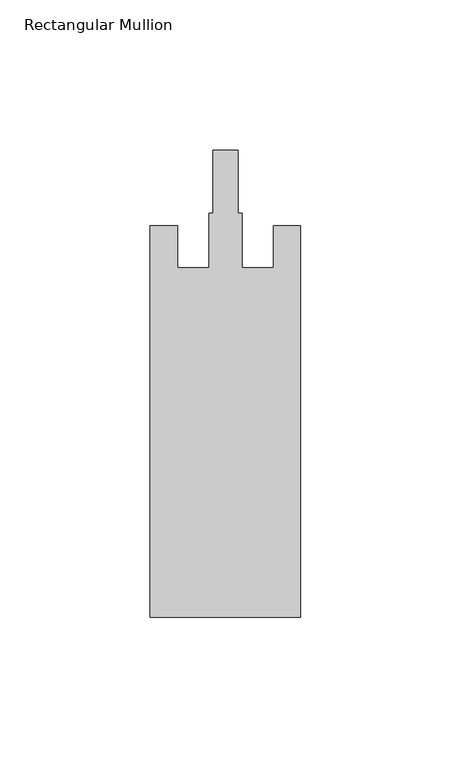
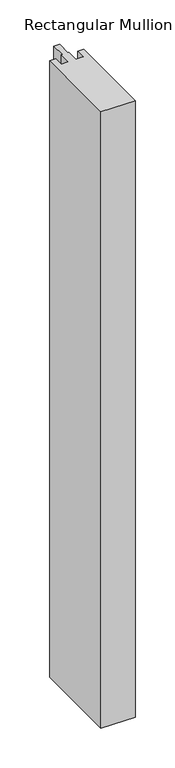
"""IFC4 building model written with IfcOpenShell, lengths in millimetres: member geometry, Rectangular Mullion."""

from ifc_helpers import new_model, si_unit, frame, origin, place, context, project, spatial, polyline, outline, extrude, source, transform, mapped, element, save


def rectangular_mullion_7e8c76c9(model_context):
    return source(origin(), model_context, "Body", "SweptSolid", [
        extrude(outline(polyline([(25.0, -162.0), (-25.0, -162.0), (-25.0, -32.0), (-16.0, -32.0), (-16.0, -46.0), (-5.5, -46.0), (-5.5, -27.8), (-4.1, -27.8), (-4.1, -7.0), (4.1, -7.0), (4.1, -27.8), (5.5, -27.8), (5.5, -46.0), (16.0, -46.0), (16.0, -32.0), (25.0, -32.0), (25.0, -162.0)])), frame((0.0, 0.0, -950.0), z_axis=(0.0, 0.0, 1.0), x_axis=(1.0, 0.0, 0.0)), (0.0, 0.0, 1.0), 950.0),
    ])


if __name__ == "__main__":
    model = new_model("IFC4")
    model_context = context("Model", 3, world=origin())
    ifc_project = project(units=[si_unit("LENGTHUNIT", "METRE", prefix="MILLI")], contexts=[model_context])
    site = spatial("IfcSite", under=ifc_project)
    building = spatial("IfcBuilding", under=site)
    placement = place(None, origin())
    rectangular_mullion_shape = rectangular_mullion_7e8c76c9(model_context)
    element("IfcMember", 1, ObjectType="Rectangular Mullion", at=placement, inside=building, context=model_context, shape_type="MappedRepresentation", body=[
        mapped(rectangular_mullion_shape, transform((0.0, 0.0, 0.0), x_axis=(1.0, 0.0, 0.0), y_axis=(0.0, 1.0, 0.0), z_axis=(0.0, 0.0, 1.0))),
    ])
    save(model, "model.ifc")
